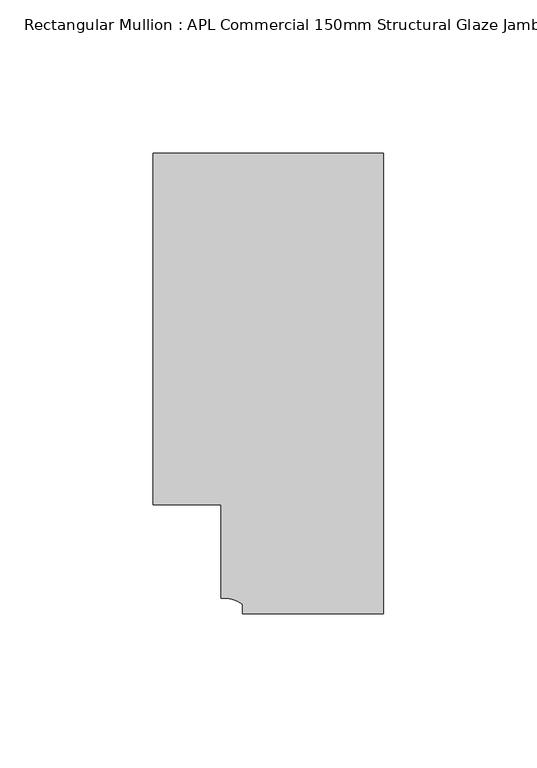
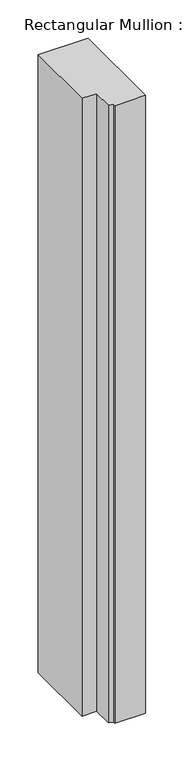
"""IFC4 building model written with IfcOpenShell, lengths in millimetres: member geometry, Rectangular Mullion : APL Commercial 150mm Structural Glaze Jamb Frame (right)."""

from ifc_helpers import new_model, si_unit, point, frame, frame_2d, origin, place, context, project, spatial, polyline, circle_curve, trimmed, segment, composite_curve, outline, extrude, source, transform, mapped, element, save


def rectangular_mullion_apl_commercial_150mm_structural_glaze_9d0de6a1(model_context):
    return source(origin(), model_context, "Body", "SweptSolid", [
        extrude(outline(composite_curve([segment(polyline([(0.0, -20.5), (-46.0, -20.5), (-46.0, -17.3125212)]), True, "CONTINUOUS"), segment(trimmed(circle_curve(frame_2d((-52.1098019, -25.7981812)), 10.4563907), [point((-46.0, -17.3125212))], [point((-52.9999391, -15.3797475))], True, "CARTESIAN"), True, "CONTINUOUS"), segment(polyline([(-52.9999391, -15.3797475), (-52.9999391, 15.0000829), (-75.0, 15.0000829), (-75.0, 129.4999988), (0.0, 129.4999988), (0.0, -20.5)]), True, "CONTINUOUS")], self_intersect=False)), frame((0.0, 0.0, -983.3333295), z_axis=(0.0, 0.0, 1.0), x_axis=(1.0, 0.0, 0.0)), (0.0, 0.0, 1.0), 983.3333295),
    ])


if __name__ == "__main__":
    model = new_model("IFC4")
    model_context = context("Model", 3, world=origin())
    ifc_project = project(units=[si_unit("LENGTHUNIT", "METRE", prefix="MILLI")], contexts=[model_context])
    site = spatial("IfcSite", under=ifc_project)
    building = spatial("IfcBuilding", under=site)
    placement = place(None, origin())
    rectangular_mullion_apl_commercial_150mm_structural_glaze_shape = rectangular_mullion_apl_commercial_150mm_structural_glaze_9d0de6a1(model_context)
    element("IfcMember", 1, ObjectType="Rectangular Mullion : APL Commercial 150mm Structural Glaze Jamb Frame (right)", at=placement, inside=building, context=model_context, shape_type="MappedRepresentation", body=[
        mapped(rectangular_mullion_apl_commercial_150mm_structural_glaze_shape, transform((0.0, 0.0, 0.0), x_axis=(1.0, 0.0, 0.0), y_axis=(0.0, 1.0, 0.0), z_axis=(0.0, 0.0, 1.0))),
    ])
    save(model, "model.ifc")
